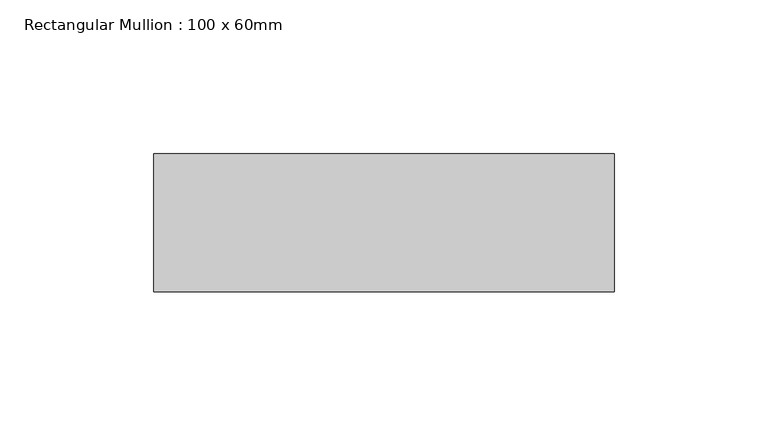
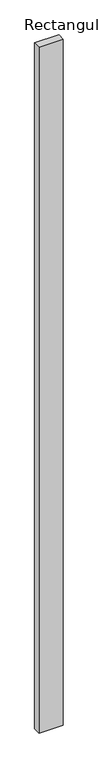
"""IFC4 building model written with IfcOpenShell, lengths in millimetres: member geometry, Rectangular Mullion : 100 x 60mm."""

from ifc_helpers import new_model, si_unit, frame, origin, place, context, project, spatial, polyline, outline, extrude, source, transform, mapped, element, save


def rectangular_mullion_100_x_60mm_8bccb627(model_context):
    return source(origin(), model_context, "Body", "SweptSolid", [
        extrude(outline(polyline([(0.0, 30.0), (0.0, -15.0), (-150.0, -15.0), (-150.0, 30.0), (0.0, 30.0)])), frame((0.0, 0.0, -4478.5270378), z_axis=(0.0, 0.0, 1.0), x_axis=(1.0, 0.0, 0.0)), (0.0, 0.0, 1.0), 4478.5270378),
    ])


if __name__ == "__main__":
    model = new_model("IFC4")
    model_context = context("Model", 3, world=origin())
    ifc_project = project(units=[si_unit("LENGTHUNIT", "METRE", prefix="MILLI")], contexts=[model_context])
    site = spatial("IfcSite", under=ifc_project)
    building = spatial("IfcBuilding", under=site)
    placement = place(None, origin())
    rectangular_mullion_100_x_60mm_shape = rectangular_mullion_100_x_60mm_8bccb627(model_context)
    element("IfcMember", 1, ObjectType="Rectangular Mullion : 100 x 60mm", at=placement, inside=building, context=model_context, shape_type="MappedRepresentation", body=[
        mapped(rectangular_mullion_100_x_60mm_shape, transform((0.0, 0.0, 0.0), x_axis=(1.0, 0.0, 0.0), y_axis=(0.0, 1.0, 0.0), z_axis=(0.0, 0.0, 1.0))),
    ])
    save(model, "model.ifc")
